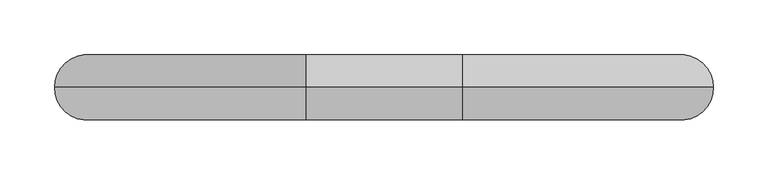
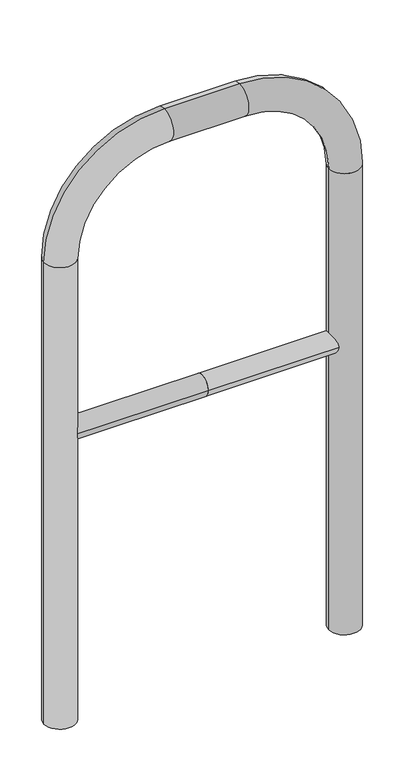
"""IFC4 building model written with IfcOpenShell, lengths in millimetres: proxy geometry."""

from ifc_helpers import new_model, si_unit, point, frame, frame_2d, origin, place, context, project, spatial, circle_curve, ellipse_curve, trimmed, segment, composite_curve, outline, extrude, source, transform, mapped, element, save
from ifc_brep_helpers import plane_surface, cylinder_surface, revolved_surface, advanced_brep


def generic_models_368055ff(model_context):
    return source(origin(), model_context, "Body", "SolidModel", [
        extrude(outline(composite_curve([segment(trimmed(circle_curve(frame_2d((0.0, 498.4778375)), 20.0), [point((-20.0, 498.4778375))], [point((20.0, 498.4778375))], False, "CARTESIAN"), True, "CONTINUOUS"), segment(trimmed(circle_curve(frame_2d((0.0, 498.4778375)), 20.0), [point((20.0, 498.4778375))], [point((-20.0, 498.4778375))], False, "CARTESIAN"), True, "CONTINUOUS")], self_intersect=False)), frame((-271.7786734, 0.0, 0.0), z_axis=(1.0, 0.0, 0.0), x_axis=(0.0, 1.0, 0.0)), (0.0, 0.0, 1.0), 271.7786734),
        extrude(outline(composite_curve([segment(trimmed(circle_curve(frame_2d((0.0, 498.4778375)), 20.0), [point((-20.0, 498.4778375))], [point((20.0, 498.4778375))], False, "CARTESIAN"), True, "CONTINUOUS"), segment(trimmed(circle_curve(frame_2d((0.0, 498.4778375)), 20.0), [point((20.0, 498.4778375))], [point((-20.0, 498.4778375))], False, "CARTESIAN"), True, "CONTINUOUS")], self_intersect=False)), frame((0.0, 0.0, 0.0), z_axis=(1.0, 0.0, 0.0), x_axis=(0.0, 1.0, 0.0)), (0.0, 0.0, 1.0), 271.7786734),
        advanced_brep(
        [(-241.7786734, 0.0, -80.0), (-301.7786734, 0.0, -80.0), (-241.7786734, 0.0, 850.0), (-301.7786734, 0.0, 850.0), (-71.7786734, 0.0, 1080.0), (-71.7786734, 0.0, 1020.0), (71.7786734, 0.0, 1020.0), (71.7786734, 0.0, 1080.0), (301.7786734, 0.0, 850.0), (241.7786734, 0.0, 850.0), (241.7786734, 0.0, -80.0), (301.7786734, 0.0, -80.0)],
        [
            (0, 1, circle_curve(frame((-271.7786734, 0.0, -80.0), z_axis=(0.0, 0.0, -1.0), x_axis=(-1.0, 0.0, 0.0)), 30.0)),
            (1, 0, circle_curve(frame((-271.7786734, 0.0, -80.0), z_axis=(0.0, 0.0, -1.0), x_axis=(-1.0, 0.0, 0.0)), 30.0)),
            (0, 2),
            (2, 3, circle_curve(frame((-271.7786734, 0.0, 850.0), z_axis=(0.0, 0.0, -1.0), x_axis=(-1.0, 0.0, 0.0)), 30.0)),
            (3, 1),
            (3, 2, circle_curve(frame((-271.7786734, 0.0, 850.0), z_axis=(0.0, 0.0, -1.0), x_axis=(-1.0, 0.0, 0.0)), 30.0)),
            (4, 3, circle_curve(frame((-71.7786734, 0.0, 850.0), z_axis=(0.0, -1.0, 0.0), x_axis=(-1.0, 0.0, 0.0)), 230.0)),
            (2, 5, circle_curve(frame((-71.7786734, 0.0, 850.0), z_axis=(0.0, 1.0, 0.0), x_axis=(-1.0, 0.0, 0.0)), 170.0)),
            (5, 4, circle_curve(frame((-71.7786734, 0.0, 1050.0), z_axis=(-1.0, 0.0, 0.0), x_axis=(0.0, 0.0, 1.0)), 30.0)),
            (4, 5, circle_curve(frame((-71.7786734, 0.0, 1050.0), z_axis=(-1.0, 0.0, 0.0), x_axis=(0.0, 0.0, 1.0)), 30.0)),
            (5, 6),
            (6, 7, circle_curve(frame((71.7786734, 0.0, 1050.0), z_axis=(-1.0, 0.0, 0.0), x_axis=(0.0, 0.0, 1.0)), 30.0)),
            (7, 4),
            (7, 6, circle_curve(frame((71.7786734, 0.0, 1050.0), z_axis=(-1.0, 0.0, 0.0), x_axis=(0.0, 0.0, 1.0)), 30.0)),
            (8, 7, circle_curve(frame((71.7786734, 0.0, 850.0), z_axis=(0.0, -1.0, 0.0), x_axis=(0.0, 0.0, 1.0)), 230.0)),
            (6, 9, circle_curve(frame((71.7786734, 0.0, 850.0), z_axis=(0.0, 1.0, 0.0), x_axis=(0.0, 0.0, 1.0)), 170.0)),
            (9, 8, circle_curve(frame((271.7786734, 0.0, 850.0), z_axis=(0.0, 0.0, 1.0), x_axis=(1.0, 0.0, 0.0)), 30.0)),
            (8, 9, circle_curve(frame((271.7786734, 0.0, 850.0), z_axis=(0.0, 0.0, 1.0), x_axis=(1.0, 0.0, 0.0)), 30.0)),
            (10, 11, circle_curve(frame((271.7786734, 0.0, -80.0), z_axis=(0.0, 0.0, -1.0), x_axis=(1.0, 0.0, 0.0)), 30.0)),
            (11, 10, circle_curve(frame((271.7786734, 0.0, -80.0), z_axis=(0.0, 0.0, -1.0), x_axis=(1.0, 0.0, 0.0)), 30.0)),
            (9, 10),
            (11, 8),
        ],
        [
            plane_surface(frame((-271.7786734, 0.0, -80.0), z_axis=(0.0, 0.0, -1.0), x_axis=(0.0, -1.0, 0.0))),
            cylinder_surface(frame((-271.7786734, 0.0, -80.0), z_axis=(0.0, 0.0, -1.0), x_axis=(-1.0, 0.0, 0.0)), 30.0),
            revolved_surface(trimmed(ellipse_curve(frame((-271.7786734, 0.0, 850.0), z_axis=(0.0, 0.0, -1.0), x_axis=(-1.0, 0.0, 0.0)), 30.0, 30.0), [point((-241.7786734, 0.0, 850.0))], [point((-301.7786734, 0.0, 850.0))], True, "CARTESIAN"), (-71.7786734, 0.0, 850.0), (0.0, 1.0, 0.0)),
            revolved_surface(trimmed(ellipse_curve(frame((-271.7786734, 0.0, 850.0), z_axis=(0.0, 0.0, -1.0), x_axis=(-1.0, 0.0, 0.0)), 30.0, 30.0), [point((-301.7786734, 0.0, 850.0))], [point((-241.7786734, 0.0, 850.0))], True, "CARTESIAN"), (-71.7786734, 0.0, 850.0), (0.0, 1.0, 0.0)),
            cylinder_surface(frame((-71.7786734, 0.0, 1050.0), z_axis=(-1.0, 0.0, 0.0), x_axis=(0.0, 0.0, 1.0)), 30.0),
            revolved_surface(trimmed(ellipse_curve(frame((71.7786734, 0.0, 1050.0), z_axis=(-1.0, 0.0, 0.0), x_axis=(0.0, 0.0, 1.0)), 30.0, 30.0), [point((71.7786734, 0.0, 1020.0))], [point((71.7786734, 0.0, 1080.0))], True, "CARTESIAN"), (71.7786734, 0.0, 850.0), (0.0, 1.0, 0.0)),
            revolved_surface(trimmed(ellipse_curve(frame((71.7786734, 0.0, 1050.0), z_axis=(-1.0, 0.0, 0.0), x_axis=(0.0, 0.0, 1.0)), 30.0, 30.0), [point((71.7786734, 0.0, 1080.0))], [point((71.7786734, 0.0, 1020.0))], True, "CARTESIAN"), (71.7786734, 0.0, 850.0), (0.0, 1.0, 0.0)),
            plane_surface(frame((271.7786734, 0.0, -80.0), z_axis=(0.0, 0.0, -1.0), x_axis=(0.0, -1.0, 0.0))),
            cylinder_surface(frame((271.7786734, 0.0, 850.0), z_axis=(0.0, 0.0, 1.0), x_axis=(1.0, 0.0, 0.0)), 30.0),
        ],
        [
            (0, [[1, 2]]),
            (1, [[-1, 3, 4, 5]]),
            (1, [[-2, -5, 6, -3]]),
            (2, [[7, -4, 8, 9]]),
            (3, [[-8, -6, -7, 10]]),
            (4, [[-9, 11, 12, 13]]),
            (4, [[-10, -13, 14, -11]]),
            (5, [[15, -12, 16, 17]]),
            (6, [[-16, -14, -15, 18]]),
            (7, [[19, 20]]),
            (8, [[-17, 21, -20, 22]]),
            (8, [[-18, -22, -19, -21]]),
        ],
    ),
    ])


if __name__ == "__main__":
    model = new_model("IFC4")
    model_context = context("Model", 3, world=origin())
    ifc_project = project(units=[si_unit("LENGTHUNIT", "METRE", prefix="MILLI")], contexts=[model_context])
    site = spatial("IfcSite", under=ifc_project)
    building = spatial("IfcBuilding", under=site)
    placement = place(None, origin())
    generic_models_shape = generic_models_368055ff(model_context)
    element("IfcBuildingElementProxy", 1, Name="Generic Models", at=placement, inside=building, context=model_context, shape_type="MappedRepresentation", body=[
        mapped(generic_models_shape, transform((0.0, 0.0, 0.0), x_axis=(1.0, 0.0, 0.0), y_axis=(0.0, 1.0, 0.0), z_axis=(0.0, 0.0, 1.0))),
    ])
    save(model, "model.ifc")
